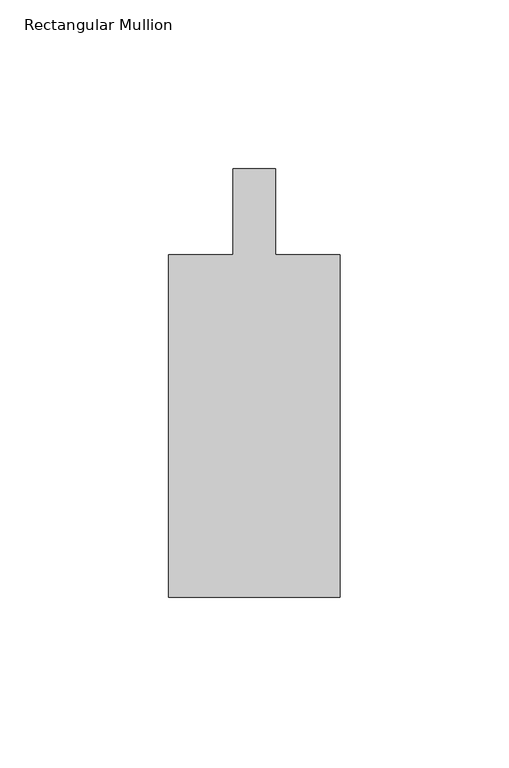
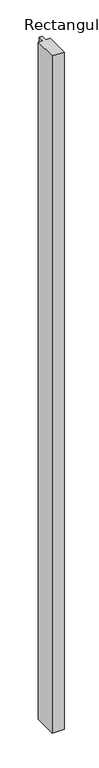
"""IFC4 building model written with IfcOpenShell, lengths in millimetres: member geometry, Rectangular Mullion."""

from ifc_helpers import new_model, si_unit, frame, origin, place, context, project, spatial, polyline, outline, extrude, source, transform, mapped, element, save


def rectangular_mullion_77196f10(model_context):
    return source(origin(), model_context, "Body", "SweptSolid", [
        extrude(outline(polyline([(25.4001903, -152.4000274), (-25.3998097, -152.4000274), (-25.3998097, -50.8000274), (-6.3498097, -50.8000274), (-6.3498097, -25.4000549), (6.3498097, -25.4000549), (6.3498097, -50.8000274), (25.4001903, -50.8000274), (25.4001903, -152.4000274)])), frame((0.0, 0.0, -3048.0), z_axis=(0.0, 0.0, 1.0), x_axis=(1.0, 0.0, 0.0)), (0.0, 0.0, 1.0), 3048.0),
    ])


if __name__ == "__main__":
    model = new_model("IFC4")
    model_context = context("Model", 3, world=origin())
    ifc_project = project(units=[si_unit("LENGTHUNIT", "METRE", prefix="MILLI")], contexts=[model_context])
    site = spatial("IfcSite", under=ifc_project)
    building = spatial("IfcBuilding", under=site)
    placement = place(None, origin())
    rectangular_mullion_shape = rectangular_mullion_77196f10(model_context)
    element("IfcMember", 1, ObjectType="Rectangular Mullion", at=placement, inside=building, context=model_context, shape_type="MappedRepresentation", body=[
        mapped(rectangular_mullion_shape, transform((0.0, 0.0, 0.0), x_axis=(1.0, 0.0, 0.0), y_axis=(0.0, 1.0, 0.0), z_axis=(0.0, 0.0, 1.0))),
    ])
    save(model, "model.ifc")
